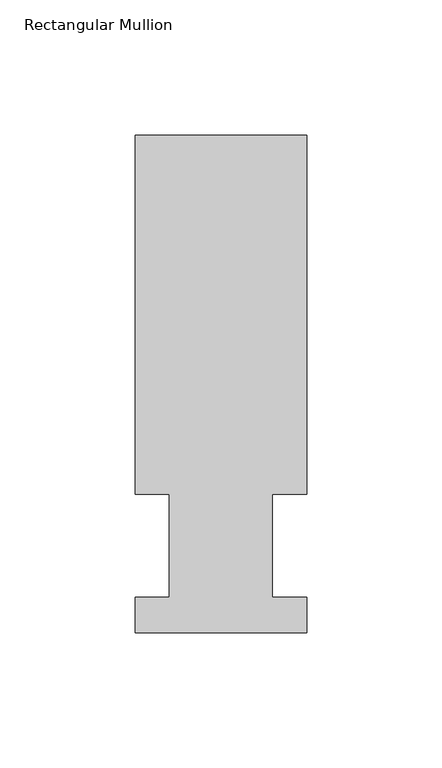
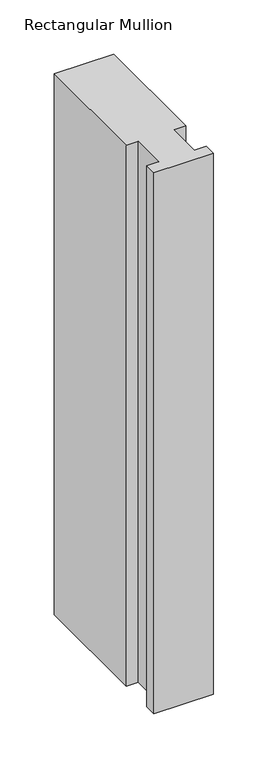
"""IFC4 building model written with IfcOpenShell, lengths in millimetres: member geometry, Rectangular Mullion."""

import ifcopenshell
import ifcopenshell.guid

model = None  # the IFC model being written
_history = None  # IfcOwnerHistory: only IFC2X3 demands one
_inside = {}  # id of a spatial element -> (the spatial element, [elements in it])
_under = {}  # id of a project, library or spatial element -> (it, [spatial elements below it])
_declared = {}  # id of a project -> (the project, [libraries it declares])
_typed = {}  # id of a type object -> (the type object, [elements of that type])
_made_of = {}  # id of a material, layer set ... -> (it, [elements and type objects made of it])


def new_model(schema):
    """Start an empty IFC model of exactly this schema.

    Asked for "IFC4X3", IfcOpenShell would pick the latest addendum, in which some entities
    have other attributes; the version numbers below select the first issue.
    IFC2X3 requires an IfcOwnerHistory on every rooted entity: one is made here for all.
    """
    global model, _history
    if schema == "IFC4X3":
        model = ifcopenshell.file(schema_version=(4, 3, 0, 0))
    else:
        model = ifcopenshell.file(schema=schema)
    _inside.clear()
    _under.clear()
    _declared.clear()
    _typed.clear()
    _made_of.clear()
    _history = None
    if model.schema == "IFC2X3":
        org = make("IfcOrganization", Name="unknown")
        user = make(
            "IfcPersonAndOrganization",
            ThePerson=make("IfcPerson", FamilyName="unknown"),
            TheOrganization=org,
        )
        app = make(
            "IfcApplication",
            ApplicationDeveloper=org,
            Version="unknown",
            ApplicationFullName="unknown",
            ApplicationIdentifier="unknown",
        )
        _history = make(
            "IfcOwnerHistory",
            OwningUser=user,
            OwningApplication=app,
            ChangeAction="ADDED",
            CreationDate=0,
        )
    return model


def make(cls, **values):
    """One entity of the class cls with the attributes given. An attribute that is None is left unset."""
    return model.create_entity(
        cls, **{name: value for name, value in values.items() if value is not None}
    )


def rooted(cls, **values):
    """An entity with a GlobalId (a new one), such as an element, a storey or a relation."""
    return make(cls, GlobalId=ifcopenshell.guid.new(), OwnerHistory=_history, **values)


def si_unit(unit_type, name, prefix=None):
    """IfcSIUnit, for example si_unit("LENGTHUNIT", "METRE", prefix="MILLI")."""
    return make("IfcSIUnit", UnitType=unit_type, Prefix=prefix, Name=name)


def assignment(units):
    """IfcUnitAssignment: the units of a project."""
    return None if units is None else make("IfcUnitAssignment", Units=units)


def point(xyz):
    """IfcCartesianPoint."""
    return None if xyz is None else make("IfcCartesianPoint", Coordinates=xyz)


def direction(xyz):
    """IfcDirection."""
    return None if xyz is None else make("IfcDirection", DirectionRatios=xyz)


def frame(location, z_axis=None, x_axis=None):
    """IfcAxis2Placement3D, a coordinate frame: its origin and axes. An axis left out is left unset."""
    return make(
        "IfcAxis2Placement3D",
        Location=point(location),
        Axis=direction(z_axis),
        RefDirection=direction(x_axis),
    )


def origin():
    """The frame at (0, 0, 0) with its axes left unset."""
    return frame((0.0, 0.0, 0.0))


def place(relative_to, where):
    """IfcLocalPlacement: puts the frame where relative to a parent placement (None: the world)."""
    return make(
        "IfcLocalPlacement", PlacementRelTo=relative_to, RelativePlacement=where
    )


def context(
    kind, dimensions, precision=None, world=None, true_north=None, identifier=None
):
    """IfcGeometricRepresentationContext, for example the 3D "Model" context."""
    return make(
        "IfcGeometricRepresentationContext",
        ContextIdentifier=identifier,
        ContextType=kind,
        CoordinateSpaceDimension=dimensions,
        Precision=precision,
        WorldCoordinateSystem=world,
        TrueNorth=true_north,
    )


def project(units=None, contexts=None):
    """IfcProject with its units and contexts."""
    return rooted(
        "IfcProject",
        Name="project",
        RepresentationContexts=contexts,
        UnitsInContext=assignment(units),
    )


def spatial(cls, under=None, at=None, **own):
    """A site, building, storey or space (cls), placed at a placement, below another one or the project."""
    s = rooted(cls, ObjectPlacement=at, **own)
    if under is not None:
        _under.setdefault(under.id(), (under, []))[1].append(s)
    return s


def polyline(points):
    """IfcPolyline through the points."""
    return make("IfcPolyline", Points=[point(p) for p in points])


def outline(outer, holes=None, kind="AREA"):
    """IfcArbitraryClosedProfileDef: a profile drawn as a closed curve; with holes, ...WithVoids."""
    if holes is None:
        return make("IfcArbitraryClosedProfileDef", ProfileType=kind, OuterCurve=outer)
    return make(
        "IfcArbitraryProfileDefWithVoids",
        ProfileType=kind,
        OuterCurve=outer,
        InnerCurves=holes,
    )


def extrude(swept, where, along, depth):
    """IfcExtrudedAreaSolid: the profile swept, set in the frame where, extruded along a direction by depth."""
    return make(
        "IfcExtrudedAreaSolid",
        SweptArea=swept,
        Position=where,
        ExtrudedDirection=direction(along),
        Depth=depth,
    )


def shape(context_of_items, identifier, shape_type, items):
    """IfcShapeRepresentation: the items that make up one representation, for example the "Body"."""
    return make(
        "IfcShapeRepresentation",
        ContextOfItems=context_of_items,
        RepresentationIdentifier=identifier,
        RepresentationType=shape_type,
        Items=items,
    )


def source(mapping_origin, context_of_items, identifier, shape_type, items):
    """IfcRepresentationMap: a shape defined once, which mapped items show again and again."""
    return make(
        "IfcRepresentationMap",
        MappingOrigin=mapping_origin,
        MappedRepresentation=shape(context_of_items, identifier, shape_type, items),
    )


def transform(
    local_origin,
    x_axis=None,
    y_axis=None,
    z_axis=None,
    scale=None,
    scale2=None,
    scale3=None,
    uniform=True,
):
    """IfcCartesianTransformationOperator3D, or its non-uniform kind. x_axis, y_axis, z_axis: its Axis1, 2, 3."""
    if uniform:
        return make(
            "IfcCartesianTransformationOperator3D",
            Axis1=direction(x_axis),
            Axis2=direction(y_axis),
            LocalOrigin=point(local_origin),
            Scale=scale,
            Axis3=direction(z_axis),
        )
    return make(
        "IfcCartesianTransformationOperator3DnonUniform",
        Axis1=direction(x_axis),
        Axis2=direction(y_axis),
        LocalOrigin=point(local_origin),
        Scale=scale,
        Axis3=direction(z_axis),
        Scale2=scale2,
        Scale3=scale3,
    )


def mapped(mapping_source, mapping_target):
    """IfcMappedItem: shows the shape of a source again, moved by a transform."""
    return make(
        "IfcMappedItem", MappingSource=mapping_source, MappingTarget=mapping_target
    )


def made_of(thing, what):
    """Note that an element or type object is made of a material, layer set ...; save() writes the relation."""
    if what is not None:
        _made_of.setdefault(what.id(), (what, []))[1].append(thing)
    return thing


def element(
    cls,
    number,
    at=None,
    inside=None,
    cuts=None,
    type_object=None,
    material=None,
    context=None,
    identifier="Body",
    shape_type=None,
    held_by="IfcProductDefinitionShape",
    body=None,
    shapes=None,
    **own,
):
    """One element of the class cls, such as IfcWall. Its Tag is "e" and its number.

    at: its placement. inside: the storey or other place that contains it. cuts: it is an
    opening in that element (IfcRelVoidsElement). A single representation is given by context,
    identifier, shape_type and body (its items); several are given by shapes. held_by: the class
    of the entity that holds the representations. save() writes the other relations.
    """
    e = rooted(cls, Tag="e%d" % number, ObjectPlacement=at, **own)
    if body is not None:
        shapes = [shape(context, identifier, shape_type, body)]
    if shapes is not None:
        e.Representation = make(held_by, Representations=shapes)
    if inside is not None:
        _inside.setdefault(inside.id(), (inside, []))[1].append(e)
    if cuts is not None:
        rooted(
            "IfcRelVoidsElement", RelatingBuildingElement=cuts, RelatedOpeningElement=e
        )
    if type_object is not None:
        _typed.setdefault(type_object.id(), (type_object, []))[1].append(e)
    return made_of(e, material)


def aggregate(whole, parts):
    """IfcRelAggregates: a whole, such as a stair, and the parts it consists of."""
    return rooted("IfcRelAggregates", RelatingObject=whole, RelatedObjects=parts)


def save(model, path):
    """Write the relations noted so far, then the file.

    IfcRelAggregates (storeys below a building ...), IfcRelContainedInSpatialStructure (elements
    in a storey), IfcRelDefinesByType, IfcRelAssociatesMaterial and IfcRelDeclares: one each for
    every whole, place, type object, material and project.
    """
    for whole, parts in _under.values():
        aggregate(whole, parts)
    for where, things in _inside.values():
        rooted(
            "IfcRelContainedInSpatialStructure",
            RelatedElements=things,
            RelatingStructure=where,
        )
    for kind, things in _typed.values():
        rooted("IfcRelDefinesByType", RelatedObjects=things, RelatingType=kind)
    for what, things in _made_of.values():
        rooted("IfcRelAssociatesMaterial", RelatedObjects=things, RelatingMaterial=what)
    for by, libraries in _declared.values():
        rooted("IfcRelDeclares", RelatingContext=by, RelatedDefinitions=libraries)
    model.write(path)


def rectangular_mullion_c02151c6(model_context):
    return source(origin(), model_context, "Body", "SweptSolid", [
        extrude(outline(polyline([(0.0, 184.2396937), (0.0, 51.2960938), (-12.6873001, 51.2960938), (-12.6873001, 13.1960938), (0.0, 13.1960938), (0.0, 0.0134938), (-63.5000001, 0.0134938), (-63.5000001, 13.1960938), (-50.8127001, 13.1960938), (-50.8127001, 51.2960938), (-63.5127, 51.2960938), (-63.5127, 184.2396938), (0.0, 184.2396937)])), frame((0.0, 0.0, -609.6), z_axis=(0.0, 0.0, 1.0), x_axis=(1.0, 0.0, 0.0)), (0.0, 0.0, 1.0), 609.6),
    ])


if __name__ == "__main__":
    model = new_model("IFC4")
    model_context = context("Model", 3, world=origin())
    ifc_project = project(units=[si_unit("LENGTHUNIT", "METRE", prefix="MILLI")], contexts=[model_context])
    site = spatial("IfcSite", under=ifc_project)
    building = spatial("IfcBuilding", under=site)
    placement = place(None, origin())
    rectangular_mullion_shape = rectangular_mullion_c02151c6(model_context)
    element("IfcMember", 1, ObjectType="Rectangular Mullion", at=placement, inside=building, context=model_context, shape_type="MappedRepresentation", body=[
        mapped(rectangular_mullion_shape, transform((0.0, 0.0, 0.0), x_axis=(1.0, 0.0, 0.0), y_axis=(0.0, 1.0, 0.0), z_axis=(0.0, 0.0, 1.0))),
    ])
    save(model, "model.ifc")
